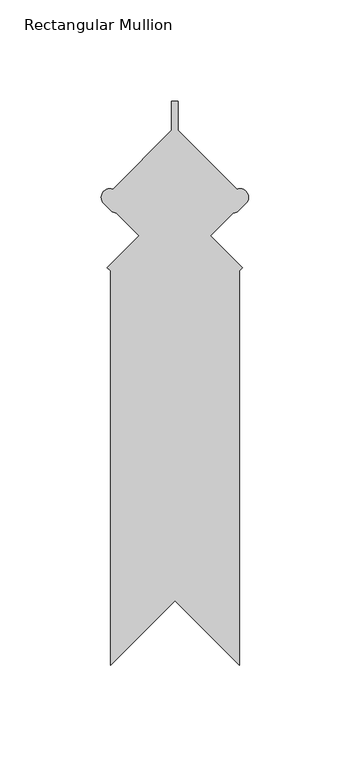
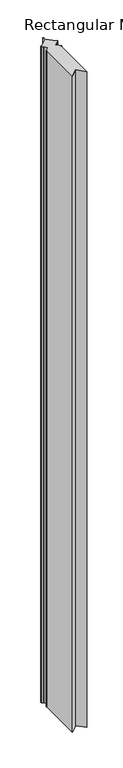
"""IFC4 building model written with IfcOpenShell, lengths in millimetres: member geometry, Rectangular Mullion."""

from ifc_helpers import new_model, si_unit, point, frame, frame_2d, origin, place, context, project, spatial, polyline, circle_curve, trimmed, segment, composite_curve, outline, extrude, source, transform, mapped, element, save


def rectangular_mullion_ebefdaf2(model_context):
    return source(origin(), model_context, "Body", "SweptSolid", [
        extrude(outline(composite_curve([segment(polyline([(-4.518975, -100.0379639), (-36.2689749, -68.287964), (-68.018975, -100.0379641), (-68.018975, 94.2947784), (-69.6354211, 95.9112245), (-53.9199729, 111.6266727), (-65.154897, 122.8615967)]), True, "CONTINUOUS"), segment(trimmed(circle_curve(frame_2d((-64.739074, 127.0706241)), 4.2295178), [point((-65.154897, 122.8615967))], [point((-67.1372768, 123.5867407))], False, "CARTESIAN"), True, "CONTINUOUS"), segment(polyline([(-67.1372768, 123.5867407), (-71.7923158, 128.2417797)]), True, "CONTINUOUS"), segment(trimmed(circle_curve(frame_2d((-68.3084323, 130.6399824)), 4.2295178), [point((-71.7923158, 128.2417797))], [point((-66.8555427, 134.612127))], False, "CARTESIAN"), True, "CONTINUOUS"), segment(polyline([(-66.8555427, 134.612127), (-37.856475, 163.6111947), (-37.856475, 177.8), (-34.681475, 177.8), (-34.681475, 163.611195), (-5.6824089, 134.6121264)]), True, "CONTINUOUS"), segment(trimmed(circle_curve(frame_2d((-4.2295178, 130.6399824)), 4.2295178), [point((-5.6824089, 134.6121264))], [point((-0.7456343, 128.2417797))], False, "CARTESIAN"), True, "CONTINUOUS"), segment(polyline([(-0.7456343, 128.2417797), (-5.4006733, 123.5867407)]), True, "CONTINUOUS"), segment(trimmed(circle_curve(frame_2d((-7.7988761, 127.0706241)), 4.2295178), [point((-5.4006733, 123.5867407))], [point((-7.3830531, 122.8615967))], False, "CARTESIAN"), True, "CONTINUOUS"), segment(polyline([(-7.3830531, 122.8615967), (-18.6179771, 111.6266727), (-2.9025289, 95.9112245), (-4.518975, 94.2947784), (-4.518975, -100.0379639)]), True, "CONTINUOUS")], self_intersect=False)), frame((0.0, 0.0, -3048.0), z_axis=(0.0, 0.0, 1.0), x_axis=(1.0, 0.0, 0.0)), (0.0, 0.0, 1.0), 3048.0),
    ])


if __name__ == "__main__":
    model = new_model("IFC4")
    model_context = context("Model", 3, world=origin())
    ifc_project = project(units=[si_unit("LENGTHUNIT", "METRE", prefix="MILLI")], contexts=[model_context])
    site = spatial("IfcSite", under=ifc_project)
    building = spatial("IfcBuilding", under=site)
    placement = place(None, origin())
    rectangular_mullion_shape = rectangular_mullion_ebefdaf2(model_context)
    element("IfcMember", 1, ObjectType="Rectangular Mullion", at=placement, inside=building, context=model_context, shape_type="MappedRepresentation", body=[
        mapped(rectangular_mullion_shape, transform((0.0, 0.0, 0.0), x_axis=(1.0, 0.0, 0.0), y_axis=(0.0, 1.0, 0.0), z_axis=(0.0, 0.0, 1.0))),
    ])
    save(model, "model.ifc")
